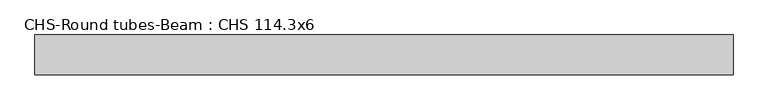
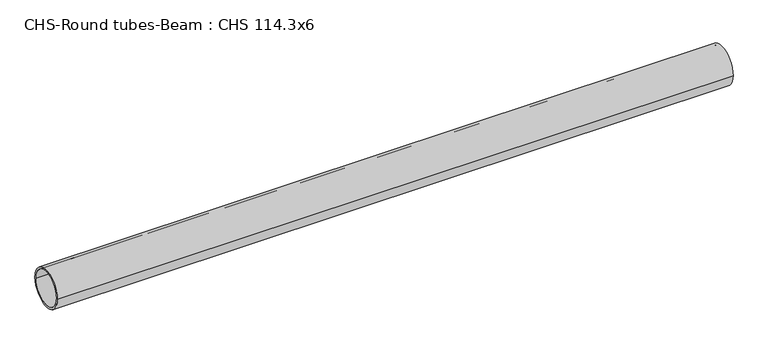
"""IFC4 building model written with IfcOpenShell, lengths in millimetres: beam geometry, CHS-Round tubes-Beam : CHS 114.3x6."""

from ifc_helpers import new_model, si_unit, point, frame, origin, origin_2d, place, context, project, spatial, circle_curve, trimmed, segment, composite_curve, outline, extrude, source, transform, mapped, element, save


def chs_round_tubes_beam_chs_114_3x6_244868b1(model_context):
    return source(origin(), model_context, "Body", "SweptSolid", [
        extrude(outline(composite_curve([segment(trimmed(circle_curve(origin_2d(), 57.15), [point((57.15, 0.0))], [point((-57.15, 0.0))], False, "CARTESIAN"), True, "CONTINUOUS"), segment(trimmed(circle_curve(origin_2d(), 57.15), [point((-57.15, 0.0))], [point((57.15, 0.0))], False, "CARTESIAN"), True, "CONTINUOUS")], self_intersect=False), holes=[composite_curve([segment(trimmed(circle_curve(origin_2d(), 51.15), [point((51.15, 0.0))], [point((-51.15, 0.0))], True, "CARTESIAN"), True, "CONTINUOUS"), segment(trimmed(circle_curve(origin_2d(), 51.15), [point((-51.15, 0.0))], [point((51.15, 0.0))], True, "CARTESIAN"), True, "CONTINUOUS")], self_intersect=False)]), frame((-948.1162395, 0.0, 0.0), z_axis=(1.0, 0.0, 0.0), x_axis=(0.0, 1.0, 0.0)), (0.0, 0.0, 1.0), 1991.443281),
    ])


if __name__ == "__main__":
    model = new_model("IFC4")
    model_context = context("Model", 3, world=origin())
    ifc_project = project(units=[si_unit("LENGTHUNIT", "METRE", prefix="MILLI")], contexts=[model_context])
    site = spatial("IfcSite", under=ifc_project)
    building = spatial("IfcBuilding", under=site)
    placement = place(None, origin())
    chs_round_tubes_beam_chs_114_3x6_shape = chs_round_tubes_beam_chs_114_3x6_244868b1(model_context)
    element("IfcBeam", 1, ObjectType="CHS-Round tubes-Beam : CHS 114.3x6", at=placement, inside=building, context=model_context, shape_type="MappedRepresentation", body=[
        mapped(chs_round_tubes_beam_chs_114_3x6_shape, transform((0.0, 0.0, 0.0), x_axis=(1.0, 0.0, 0.0), y_axis=(0.0, 1.0, 0.0), z_axis=(0.0, 0.0, 1.0))),
    ])
    save(model, "model.ifc")
